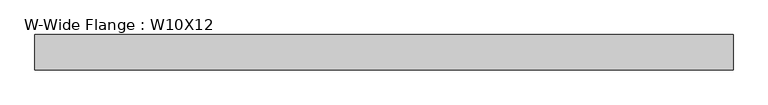
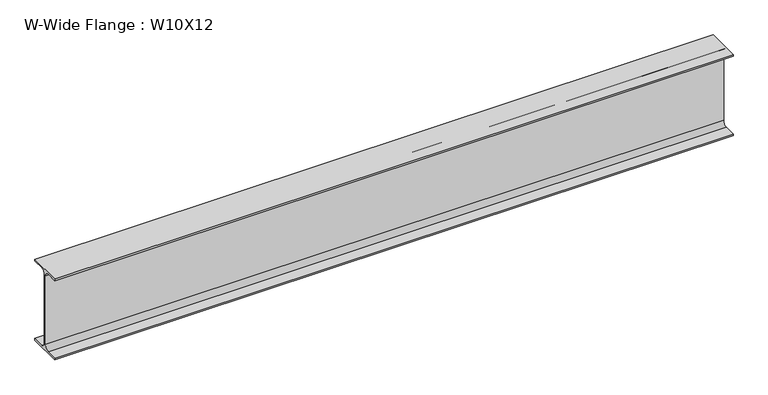
"""IFC4 building model written with IfcOpenShell, lengths in millimetres: beam geometry, W-Wide Flange : W10X12."""

from ifc_helpers import new_model, si_unit, point, frame, frame_2d, origin, place, context, project, spatial, polyline, circle_curve, trimmed, segment, composite_curve, outline, extrude, source, transform, mapped, element, save


def w_wide_flange_w10x12_527f9663(model_context):
    return source(origin(), model_context, "Body", "SweptSolid", [
        extrude(outline(composite_curve([segment(polyline([(50.3039062, -120.0050781), (50.3039062, -125.3628906), (-50.3039063, -125.3628906), (-50.3039063, -120.0050781), (-16.1230469, -120.0050781)]), True, "CONTINUOUS"), segment(trimmed(circle_curve(frame_2d((-16.1230469, -106.3128906)), 13.6921875), [point((-16.1230469, -120.0050781))], [point((-2.4308594, -106.3128906))], True, "CARTESIAN"), True, "CONTINUOUS"), segment(polyline([(-2.4308594, -106.3128906), (-2.4308594, 106.3128906)]), True, "CONTINUOUS"), segment(trimmed(circle_curve(frame_2d((-16.1230469, 106.3128906)), 13.6921875), [point((-2.4308594, 106.3128906))], [point((-16.1230469, 120.0050781))], True, "CARTESIAN"), True, "CONTINUOUS"), segment(polyline([(-16.1230469, 120.0050781), (-50.3039063, 120.0050781), (-50.3039063, 125.3628906), (50.3039062, 125.3628906), (50.3039062, 120.0050781), (16.1230469, 120.0050781)]), True, "CONTINUOUS"), segment(trimmed(circle_curve(frame_2d((16.1230469, 106.3128906)), 13.6921875), [point((16.1230469, 120.0050781))], [point((2.4308594, 106.3128906))], True, "CARTESIAN"), True, "CONTINUOUS"), segment(polyline([(2.4308594, 106.3128906), (2.4308594, -106.3128906)]), True, "CONTINUOUS"), segment(trimmed(circle_curve(frame_2d((16.1230469, -106.3128906)), 13.6921875), [point((2.4308594, -106.3128906))], [point((16.1230469, -120.0050781))], True, "CARTESIAN"), True, "CONTINUOUS"), segment(polyline([(16.1230469, -120.0050781), (50.3039062, -120.0050781)]), True, "CONTINUOUS")], self_intersect=False)), frame((-990.6, 0.0, 0.0), z_axis=(1.0, 0.0, 0.0), x_axis=(0.0, 1.0, 0.0)), (0.0, 0.0, 1.0), 1981.2),
    ])


if __name__ == "__main__":
    model = new_model("IFC4")
    model_context = context("Model", 3, world=origin())
    ifc_project = project(units=[si_unit("LENGTHUNIT", "METRE", prefix="MILLI")], contexts=[model_context])
    site = spatial("IfcSite", under=ifc_project)
    building = spatial("IfcBuilding", under=site)
    placement = place(None, origin())
    w_wide_flange_w10x12_shape = w_wide_flange_w10x12_527f9663(model_context)
    element("IfcBeam", 1, ObjectType="W-Wide Flange : W10X12", at=placement, inside=building, context=model_context, shape_type="MappedRepresentation", body=[
        mapped(w_wide_flange_w10x12_shape, transform((0.0, 0.0, 0.0), x_axis=(1.0, 0.0, 0.0), y_axis=(0.0, 1.0, 0.0), z_axis=(0.0, 0.0, 1.0))),
    ])
    save(model, "model.ifc")
